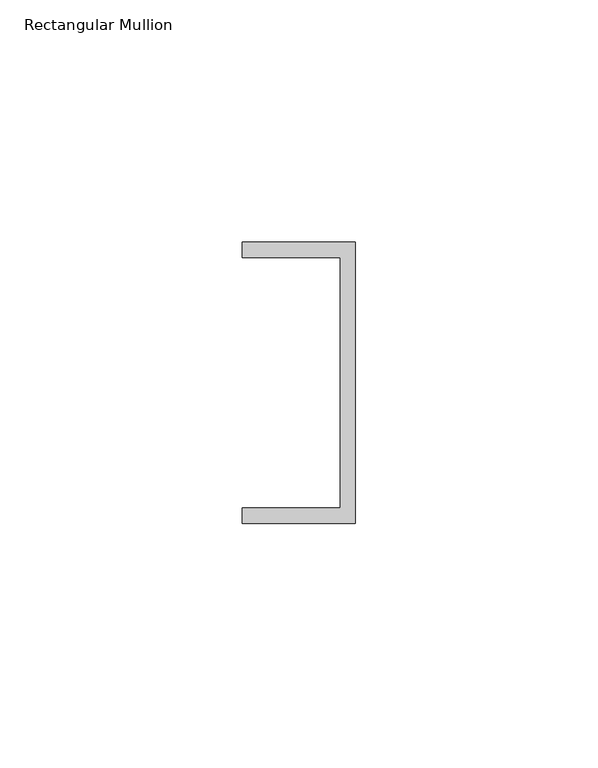
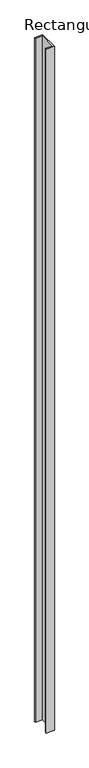
"""IFC4 building model written with IfcOpenShell, lengths in millimetres: member geometry, Rectangular Mullion."""

import ifcopenshell
import ifcopenshell.guid

model = None  # the IFC model being written
_history = None  # IfcOwnerHistory: only IFC2X3 demands one
_inside = {}  # id of a spatial element -> (the spatial element, [elements in it])
_under = {}  # id of a project, library or spatial element -> (it, [spatial elements below it])
_declared = {}  # id of a project -> (the project, [libraries it declares])
_typed = {}  # id of a type object -> (the type object, [elements of that type])
_made_of = {}  # id of a material, layer set ... -> (it, [elements and type objects made of it])


def new_model(schema):
    """Start an empty IFC model of exactly this schema.

    Asked for "IFC4X3", IfcOpenShell would pick the latest addendum, in which some entities
    have other attributes; the version numbers below select the first issue.
    IFC2X3 requires an IfcOwnerHistory on every rooted entity: one is made here for all.
    """
    global model, _history
    if schema == "IFC4X3":
        model = ifcopenshell.file(schema_version=(4, 3, 0, 0))
    else:
        model = ifcopenshell.file(schema=schema)
    _inside.clear()
    _under.clear()
    _declared.clear()
    _typed.clear()
    _made_of.clear()
    _history = None
    if model.schema == "IFC2X3":
        org = make("IfcOrganization", Name="unknown")
        user = make(
            "IfcPersonAndOrganization",
            ThePerson=make("IfcPerson", FamilyName="unknown"),
            TheOrganization=org,
        )
        app = make(
            "IfcApplication",
            ApplicationDeveloper=org,
            Version="unknown",
            ApplicationFullName="unknown",
            ApplicationIdentifier="unknown",
        )
        _history = make(
            "IfcOwnerHistory",
            OwningUser=user,
            OwningApplication=app,
            ChangeAction="ADDED",
            CreationDate=0,
        )
    return model


def make(cls, **values):
    """One entity of the class cls with the attributes given. An attribute that is None is left unset."""
    return model.create_entity(
        cls, **{name: value for name, value in values.items() if value is not None}
    )


def rooted(cls, **values):
    """An entity with a GlobalId (a new one), such as an element, a storey or a relation."""
    return make(cls, GlobalId=ifcopenshell.guid.new(), OwnerHistory=_history, **values)


def si_unit(unit_type, name, prefix=None):
    """IfcSIUnit, for example si_unit("LENGTHUNIT", "METRE", prefix="MILLI")."""
    return make("IfcSIUnit", UnitType=unit_type, Prefix=prefix, Name=name)


def assignment(units):
    """IfcUnitAssignment: the units of a project."""
    return None if units is None else make("IfcUnitAssignment", Units=units)


def point(xyz):
    """IfcCartesianPoint."""
    return None if xyz is None else make("IfcCartesianPoint", Coordinates=xyz)


def direction(xyz):
    """IfcDirection."""
    return None if xyz is None else make("IfcDirection", DirectionRatios=xyz)


def frame(location, z_axis=None, x_axis=None):
    """IfcAxis2Placement3D, a coordinate frame: its origin and axes. An axis left out is left unset."""
    return make(
        "IfcAxis2Placement3D",
        Location=point(location),
        Axis=direction(z_axis),
        RefDirection=direction(x_axis),
    )


def origin():
    """The frame at (0, 0, 0) with its axes left unset."""
    return frame((0.0, 0.0, 0.0))


def place(relative_to, where):
    """IfcLocalPlacement: puts the frame where relative to a parent placement (None: the world)."""
    return make(
        "IfcLocalPlacement", PlacementRelTo=relative_to, RelativePlacement=where
    )


def context(
    kind, dimensions, precision=None, world=None, true_north=None, identifier=None
):
    """IfcGeometricRepresentationContext, for example the 3D "Model" context."""
    return make(
        "IfcGeometricRepresentationContext",
        ContextIdentifier=identifier,
        ContextType=kind,
        CoordinateSpaceDimension=dimensions,
        Precision=precision,
        WorldCoordinateSystem=world,
        TrueNorth=true_north,
    )


def project(units=None, contexts=None):
    """IfcProject with its units and contexts."""
    return rooted(
        "IfcProject",
        Name="project",
        RepresentationContexts=contexts,
        UnitsInContext=assignment(units),
    )


def spatial(cls, under=None, at=None, **own):
    """A site, building, storey or space (cls), placed at a placement, below another one or the project."""
    s = rooted(cls, ObjectPlacement=at, **own)
    if under is not None:
        _under.setdefault(under.id(), (under, []))[1].append(s)
    return s


def polyline(points):
    """IfcPolyline through the points."""
    return make("IfcPolyline", Points=[point(p) for p in points])


def outline(outer, holes=None, kind="AREA"):
    """IfcArbitraryClosedProfileDef: a profile drawn as a closed curve; with holes, ...WithVoids."""
    if holes is None:
        return make("IfcArbitraryClosedProfileDef", ProfileType=kind, OuterCurve=outer)
    return make(
        "IfcArbitraryProfileDefWithVoids",
        ProfileType=kind,
        OuterCurve=outer,
        InnerCurves=holes,
    )


def extrude(swept, where, along, depth):
    """IfcExtrudedAreaSolid: the profile swept, set in the frame where, extruded along a direction by depth."""
    return make(
        "IfcExtrudedAreaSolid",
        SweptArea=swept,
        Position=where,
        ExtrudedDirection=direction(along),
        Depth=depth,
    )


def shape(context_of_items, identifier, shape_type, items):
    """IfcShapeRepresentation: the items that make up one representation, for example the "Body"."""
    return make(
        "IfcShapeRepresentation",
        ContextOfItems=context_of_items,
        RepresentationIdentifier=identifier,
        RepresentationType=shape_type,
        Items=items,
    )


def source(mapping_origin, context_of_items, identifier, shape_type, items):
    """IfcRepresentationMap: a shape defined once, which mapped items show again and again."""
    return make(
        "IfcRepresentationMap",
        MappingOrigin=mapping_origin,
        MappedRepresentation=shape(context_of_items, identifier, shape_type, items),
    )


def transform(
    local_origin,
    x_axis=None,
    y_axis=None,
    z_axis=None,
    scale=None,
    scale2=None,
    scale3=None,
    uniform=True,
):
    """IfcCartesianTransformationOperator3D, or its non-uniform kind. x_axis, y_axis, z_axis: its Axis1, 2, 3."""
    if uniform:
        return make(
            "IfcCartesianTransformationOperator3D",
            Axis1=direction(x_axis),
            Axis2=direction(y_axis),
            LocalOrigin=point(local_origin),
            Scale=scale,
            Axis3=direction(z_axis),
        )
    return make(
        "IfcCartesianTransformationOperator3DnonUniform",
        Axis1=direction(x_axis),
        Axis2=direction(y_axis),
        LocalOrigin=point(local_origin),
        Scale=scale,
        Axis3=direction(z_axis),
        Scale2=scale2,
        Scale3=scale3,
    )


def mapped(mapping_source, mapping_target):
    """IfcMappedItem: shows the shape of a source again, moved by a transform."""
    return make(
        "IfcMappedItem", MappingSource=mapping_source, MappingTarget=mapping_target
    )


def made_of(thing, what):
    """Note that an element or type object is made of a material, layer set ...; save() writes the relation."""
    if what is not None:
        _made_of.setdefault(what.id(), (what, []))[1].append(thing)
    return thing


def element(
    cls,
    number,
    at=None,
    inside=None,
    cuts=None,
    type_object=None,
    material=None,
    context=None,
    identifier="Body",
    shape_type=None,
    held_by="IfcProductDefinitionShape",
    body=None,
    shapes=None,
    **own,
):
    """One element of the class cls, such as IfcWall. Its Tag is "e" and its number.

    at: its placement. inside: the storey or other place that contains it. cuts: it is an
    opening in that element (IfcRelVoidsElement). A single representation is given by context,
    identifier, shape_type and body (its items); several are given by shapes. held_by: the class
    of the entity that holds the representations. save() writes the other relations.
    """
    e = rooted(cls, Tag="e%d" % number, ObjectPlacement=at, **own)
    if body is not None:
        shapes = [shape(context, identifier, shape_type, body)]
    if shapes is not None:
        e.Representation = make(held_by, Representations=shapes)
    if inside is not None:
        _inside.setdefault(inside.id(), (inside, []))[1].append(e)
    if cuts is not None:
        rooted(
            "IfcRelVoidsElement", RelatingBuildingElement=cuts, RelatedOpeningElement=e
        )
    if type_object is not None:
        _typed.setdefault(type_object.id(), (type_object, []))[1].append(e)
    return made_of(e, material)


def aggregate(whole, parts):
    """IfcRelAggregates: a whole, such as a stair, and the parts it consists of."""
    return rooted("IfcRelAggregates", RelatingObject=whole, RelatedObjects=parts)


def save(model, path):
    """Write the relations noted so far, then the file.

    IfcRelAggregates (storeys below a building ...), IfcRelContainedInSpatialStructure (elements
    in a storey), IfcRelDefinesByType, IfcRelAssociatesMaterial and IfcRelDeclares: one each for
    every whole, place, type object, material and project.
    """
    for whole, parts in _under.values():
        aggregate(whole, parts)
    for where, things in _inside.values():
        rooted(
            "IfcRelContainedInSpatialStructure",
            RelatedElements=things,
            RelatingStructure=where,
        )
    for kind, things in _typed.values():
        rooted("IfcRelDefinesByType", RelatedObjects=things, RelatingType=kind)
    for what, things in _made_of.values():
        rooted("IfcRelAssociatesMaterial", RelatedObjects=things, RelatingMaterial=what)
    for by, libraries in _declared.values():
        rooted("IfcRelDeclares", RelatingContext=by, RelatedDefinitions=libraries)
    model.write(path)


def rectangular_mullion_f52d68d9(model_context):
    return source(origin(), model_context, "Body", "SweptSolid", [
        extrude(outline(polyline([(0.0, 29.0214844), (0.0, -29.0214844), (-23.3164063, -29.0214844), (-23.3164063, -25.8464844), (-3.175, -25.8464844), (-3.175, 25.8464844), (-23.3164063, 25.8464844), (-23.3164063, 29.0214844), (0.0, 29.0214844)])), frame((0.0, 0.0, -2091.6304688), z_axis=(0.0, 0.0, 1.0), x_axis=(1.0, 0.0, 0.0)), (0.0, 0.0, 1.0), 2091.6304687),
    ])


if __name__ == "__main__":
    model = new_model("IFC4")
    model_context = context("Model", 3, world=origin())
    ifc_project = project(units=[si_unit("LENGTHUNIT", "METRE", prefix="MILLI")], contexts=[model_context])
    site = spatial("IfcSite", under=ifc_project)
    building = spatial("IfcBuilding", under=site)
    placement = place(None, origin())
    rectangular_mullion_shape = rectangular_mullion_f52d68d9(model_context)
    element("IfcMember", 1, ObjectType="Rectangular Mullion", at=placement, inside=building, context=model_context, shape_type="MappedRepresentation", body=[
        mapped(rectangular_mullion_shape, transform((0.0, 0.0, 0.0), x_axis=(1.0, 0.0, 0.0), y_axis=(0.0, 1.0, 0.0), z_axis=(0.0, 0.0, 1.0))),
    ])
    save(model, "model.ifc")
